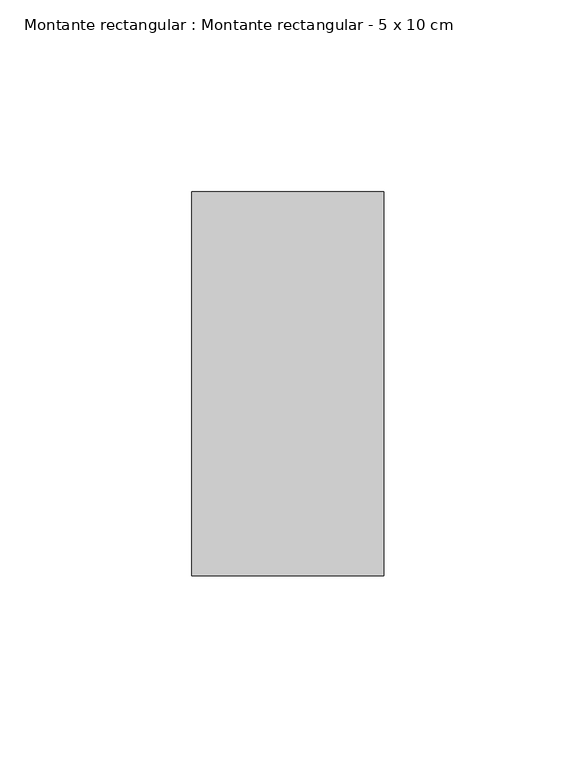
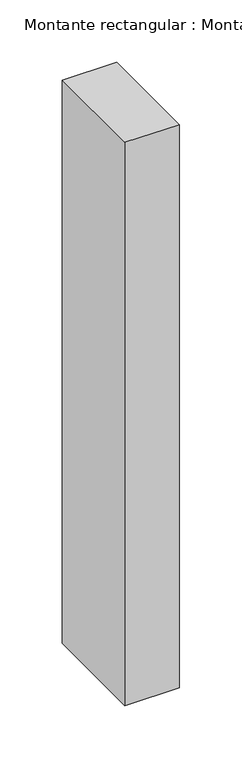
"""IFC4 building model written with IfcOpenShell, lengths in millimetres: member geometry, Montante rectangular : Montante rectangular - 5 x 10 cm."""

from ifc_helpers import new_model, si_unit, frame, origin, place, context, project, spatial, polyline, outline, extrude, source, transform, mapped, element, save


def montante_rectangular_montante_rectangular_5_x_10_cm_aa8766cf(model_context):
    return source(origin(), model_context, "Body", "SweptSolid", [
        extrude(outline(polyline([(25.0, 50.0), (25.0, -50.0), (-25.0, -50.0), (-25.0, 50.0), (25.0, 50.0)])), frame((0.0, 0.0, -550.0), z_axis=(0.0, 0.0, 1.0), x_axis=(1.0, 0.0, 0.0)), (0.0, 0.0, 1.0), 550.0),
    ])


if __name__ == "__main__":
    model = new_model("IFC4")
    model_context = context("Model", 3, world=origin())
    ifc_project = project(units=[si_unit("LENGTHUNIT", "METRE", prefix="MILLI")], contexts=[model_context])
    site = spatial("IfcSite", under=ifc_project)
    building = spatial("IfcBuilding", under=site)
    placement = place(None, origin())
    montante_rectangular_montante_rectangular_5_x_10_cm_shape = montante_rectangular_montante_rectangular_5_x_10_cm_aa8766cf(model_context)
    element("IfcMember", 1, ObjectType="Montante rectangular : Montante rectangular - 5 x 10 cm", at=placement, inside=building, context=model_context, shape_type="MappedRepresentation", body=[
        mapped(montante_rectangular_montante_rectangular_5_x_10_cm_shape, transform((0.0, 0.0, 0.0), x_axis=(1.0, 0.0, 0.0), y_axis=(0.0, 1.0, 0.0), z_axis=(0.0, 0.0, 1.0))),
    ])
    save(model, "model.ifc")
